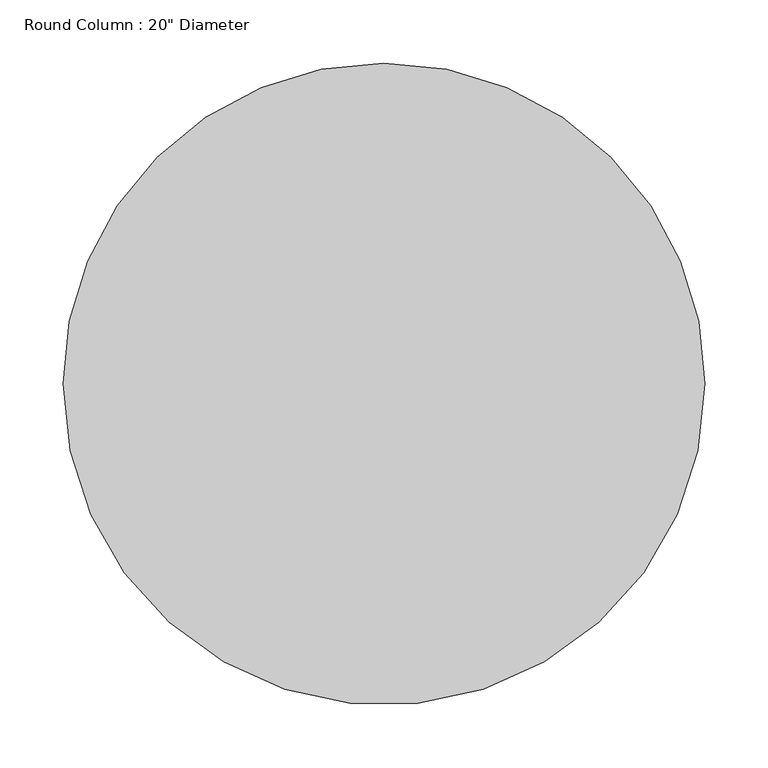
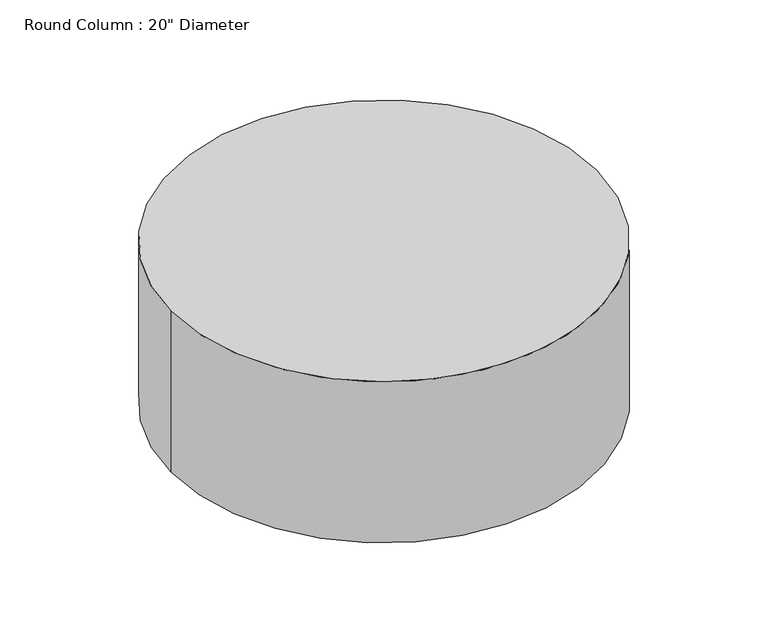
"""IFC4 building model written with IfcOpenShell, lengths in millimetres: column geometry."""

from ifc_helpers import new_model, si_unit, point, frame, origin, origin_2d, place, context, project, spatial, circle_curve, trimmed, segment, composite_curve, outline, extrude, source, transform, mapped, element, save


def column_fa6018bf(model_context):
    return source(origin(), model_context, "Body", "SweptSolid", [
        extrude(outline(composite_curve([segment(trimmed(circle_curve(origin_2d(), 254.0), [point((254.0, 0.0))], [point((-254.0, 0.0))], False, "CARTESIAN"), True, "CONTINUOUS"), segment(trimmed(circle_curve(origin_2d(), 254.0), [point((-254.0, 0.0))], [point((0.0, 254.0))], False, "CARTESIAN"), True, "CONTINUOUS"), segment(trimmed(circle_curve(origin_2d(), 254.0), [point((0.0, 254.0))], [point((254.0, 0.0))], False, "CARTESIAN"), True, "CONTINUOUS")], self_intersect=False)), frame((0.0, 0.0, 1409.7), z_axis=(0.0, 0.0, 1.0), x_axis=(1.0, 0.0, 0.0)), (0.0, 0.0, 1.0), 203.2),
    ])


if __name__ == "__main__":
    model = new_model("IFC4")
    model_context = context("Model", 3, world=origin())
    ifc_project = project(units=[si_unit("LENGTHUNIT", "METRE", prefix="MILLI")], contexts=[model_context])
    site = spatial("IfcSite", under=ifc_project)
    building = spatial("IfcBuilding", under=site)
    placement = place(None, origin())
    column_shape = column_fa6018bf(model_context)
    element("IfcColumn", 1, ObjectType="Round Column : 20\" Diameter", at=placement, inside=building, context=model_context, shape_type="MappedRepresentation", body=[
        mapped(column_shape, transform((0.0, 0.0, 0.0), x_axis=(1.0, 0.0, 0.0), y_axis=(0.0, 1.0, 0.0), z_axis=(0.0, 0.0, 1.0))),
    ])
    save(model, "model.ifc")
